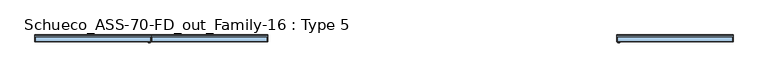
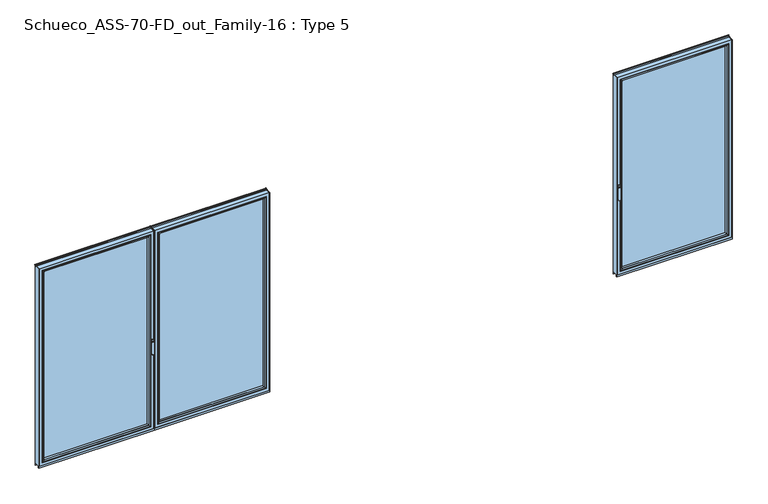
"""IFC4 building model written with IfcOpenShell, lengths in millimetres: window geometry, Schueco_ASS-70-FD_out_Family-16 : Type 5."""

from ifc_helpers import new_model, si_unit, point, frame, frame_2d, origin, place, context, project, spatial, polyline, circle_curve, ellipse_curve, trimmed, segment, composite_curve, outline, extrude, source, transform, mapped, element, save
from ifc_brep_helpers import plane_surface, cylinder_surface, extruded_surface, advanced_brep


def schueco_ass_70_fd_out_family_16_type_5_3a6e579e(model_context):
    return source(origin(), model_context, "Body", "SolidModel", [
        advanced_brep(
        [(-2579.8552975, -73.5, 1050.0), (-2555.8780359, -73.5, 1050.0), (-2555.8780359, -76.8965533, 1050.0), (-2579.8552975, -76.8965533, 1050.0), (-2579.8552975, -84.5, 1050.0), (-2579.8552975, -84.5, 918.6867153), (-2555.8780359, -84.5, 918.6867153), (-2555.8780359, -84.5, 1050.0), (-2555.8780359, -76.8965533, 918.6867153), (-2579.8552975, -76.8965533, 918.6867153)],
        [
            (0, 1, circle_curve(frame((-2567.8666667, -73.5, 1050.0), z_axis=(0.0, 1.0, 0.0), x_axis=(1.0, 0.0, 0.0)), 11.9886308)),
            (1, 0, circle_curve(frame((-2567.8666667, -73.5, 1050.0), z_axis=(0.0, 1.0, 0.0), x_axis=(1.0, 0.0, 0.0)), 11.9886308)),
            (1, 2),
            (2, 3, circle_curve(frame((-2567.8666667, -76.8965533, 1050.0), z_axis=(0.0, 1.0, 0.0), x_axis=(1.0, 0.0, 0.0)), 11.9886308)),
            (3, 0),
            (3, 2, circle_curve(frame((-2567.8666667, -76.8965533, 1050.0), z_axis=(0.0, 1.0, 0.0), x_axis=(1.0, 0.0, 0.0)), 11.9886308)),
            (4, 5),
            (5, 6, ellipse_curve(frame((-2567.8666667, -84.5, 918.6867153), z_axis=(0.0, -1.0, 0.0), x_axis=(-1.0, 0.0, 0.0)), 11.9886308, 7.9050795)),
            (6, 7),
            (7, 4, circle_curve(frame((-2567.8666667, -84.5, 1050.0), z_axis=(0.0, -1.0, 0.0), x_axis=(1.0, 0.0, 0.0)), 11.9886308)),
            (2, 8),
            (8, 9, ellipse_curve(frame((-2567.8666667, -76.8965533, 918.6867153), z_axis=(0.0, 1.0, 0.0), x_axis=(-1.0, 0.0, 0.0)), 11.9886308, 7.9050795)),
            (9, 3),
            (4, 3),
            (9, 5),
            (8, 6),
            (2, 7),
        ],
        [
            plane_surface(frame((-2555.8780359, -73.5, 1050.0), z_axis=(0.0, 1.0, 0.0), x_axis=(0.0, 0.0, -1.0))),
            cylinder_surface(frame((-2567.8666667, -73.5, 1050.0), z_axis=(0.0, -1.0, 0.0), x_axis=(1.0, 0.0, 0.0)), 11.9886308),
            plane_surface(frame((-2579.8552975, -84.5, 928.3382074), z_axis=(0.0, -1.0, 0.0), x_axis=(0.0, 0.0, -1.0))),
            plane_surface(frame((-2579.8552975, -76.8965533, 928.3382074), z_axis=(0.0, 1.0, 0.0), x_axis=(0.0, 0.0, 1.0))),
            plane_surface(frame((-2579.8552975, -84.5, 1050.0), z_axis=(-1.0, 0.0, 0.0), x_axis=(0.0, 1.0, 0.0))),
            extruded_surface(trimmed(ellipse_curve(frame((-2567.8666667, -69.2931066, 918.6867153), z_axis=(0.0, -1.0, 0.0), x_axis=(-1.0, 0.0, 0.0)), 11.9886308, 7.9050795), [point((-2579.8552975, -69.2931066, 918.6867153))], [point((-2555.8780359, -69.2931066, 918.6867153))], True, "CARTESIAN"), (0.0, -7.603446699999992, 0.0), 7.603446699999992),
            plane_surface(frame((-2555.8780359, -84.5, 918.6867153), z_axis=(1.0, 0.0, 0.0), x_axis=(0.0, 1.0, 0.0))),
            cylinder_surface(frame((-2567.8666667, -76.8965533, 1050.0), z_axis=(0.0, -1.0, 0.0), x_axis=(1.0, 0.0, 0.0)), 11.9886308),
        ],
        [
            (0, [[1, 2]]),
            (1, [[-2, 3, 4, 5]]),
            (1, [[-1, -5, 6, -3]]),
            (2, [[7, 8, 9, 10]]),
            (3, [[11, 12, 13, -4]]),
            (4, [[-7, 14, -13, 15]]),
            (5, [[-8, -15, -12, 16]]),
            (6, [[-9, -16, -11, 17]]),
            (7, [[-10, -17, -6, -14]]),
        ],
    ),
        extrude(outline(composite_curve([segment(polyline([(1068.75, -2581.8666667), (1031.25, -2581.8666667)]), True, "CONTINUOUS"), segment(trimmed(circle_curve(frame_2d((1031.25, -2567.8666667)), 14.0), [point((1031.25, -2581.8666667))], [point((1031.25, -2553.8666667))], False, "CARTESIAN"), True, "CONTINUOUS"), segment(polyline([(1031.25, -2553.8666667), (1068.75, -2553.8666667)]), True, "CONTINUOUS"), segment(trimmed(circle_curve(frame_2d((1068.75, -2567.8666667)), 14.0), [point((1068.75, -2553.8666667))], [point((1068.75, -2581.8666667))], False, "CARTESIAN"), True, "CONTINUOUS")], self_intersect=False)), frame((0.0, -73.5, 0.0), z_axis=(0.0, 1.0, 0.0), x_axis=(0.0, 0.0, 1.0)), (0.0, 0.0, 1.0), 3.5),
        extrude(outline(polyline([(-3818.8, 0.0), (-3812.8, 0.0), (-3812.8, -70.0), (-3818.8, -70.0), (-3818.8, 0.0)])), frame((0.0, 0.0, 37.5), z_axis=(0.0, 0.0, 1.0), x_axis=(1.0, 0.0, 0.0)), (0.0, 0.0, 1.0), 2299.5),
        extrude(outline(polyline([(-2545.8666667, 0.0), (-2545.8666667, -70.0), (-2551.8666667, -70.0), (-2551.8666667, 0.0), (-2545.8666667, 0.0)])), frame((0.0, 0.0, 37.5), z_axis=(0.0, 0.0, 1.0), x_axis=(1.0, 0.0, 0.0)), (0.0, 0.0, 1.0), 2299.5),
        extrude(outline(polyline([(-3780.8, -13.999939), (-2583.8666667, -13.999939), (-2583.8666667, -37.9928974), (-3780.8, -37.9928974), (-3780.8, -13.999939)])), frame((0.0, 0.0, 69.5), z_axis=(0.0, 0.0, 1.0), x_axis=(1.0, 0.0, 0.0)), (0.0, 0.0, 1.0), 2235.5),
        advanced_brep(
        [(-2605.8662394, -64.5552044, 2283.0004272), (-2605.8662394, -37.9928974, 2283.0004272), (-2605.8662394, -37.9928974, 91.4995728), (-2605.8662394, -64.5552044, 91.4995728), (-2583.8666667, -37.9928974, 2305.0), (-2583.8666667, -37.9928974, 69.5), (-3780.8, -37.9928974, 69.5), (-3780.8, -37.9928974, 2305.0), (-3758.8004272, -37.9928974, 2283.0004272), (-3758.8004272, -37.9928974, 91.4995728), (-3758.8004272, -64.5552044, 91.4995728), (-2605.156696, -65.8045072, 2283.7099707), (-2605.156696, -65.8045072, 90.7900293), (-3759.5099707, -65.8045072, 90.7900293), (-2589.8666056, -70.0, 2299.000061), (-2589.8666056, -70.0, 75.499939), (-3774.800061, -70.0, 75.499939), (-3780.8, -70.0, 2305.0), (-3780.8, -70.0, 69.5), (-2583.8666667, -70.0, 69.5), (-2583.8666667, -70.0, 2305.0), (-3774.800061, -70.0, 2299.000061), (-3758.8004272, -64.5552044, 2283.0004272), (-3759.5099707, -65.8045072, 2283.7099707)],
        [
            (0, 1),
            (1, 2),
            (2, 3),
            (3, 0),
            (4, 5),
            (5, 6),
            (6, 7),
            (7, 4),
            (8, 9),
            (9, 2),
            (1, 8),
            (9, 10),
            (10, 3),
            (11, 0, ellipse_curve(frame((-2604.4116355, -64.5552044, 2284.4550312), z_axis=(0.7071067811865475, 0.0, -0.7071067811865475), x_axis=(0.7071067811865474, 0.0, 0.7071067811865476)), 2.0571207, 1.454604)),
            (3, 12, ellipse_curve(frame((-2604.4116355, -64.5552044, 90.0449688), z_axis=(0.7071067811865475, 0.0, 0.7071067811865475), x_axis=(-0.7071067811865474, 0.0, 0.7071067811865476)), 2.0571207, 1.454604)),
            (12, 11),
            (10, 13, ellipse_curve(frame((-3760.2550312, -64.5552044, 90.0449688), z_axis=(0.7071067811865475, 0.0, -0.7071067811865475), x_axis=(0.7071067811865476, 0.0, 0.7071067811865474)), 2.0571207, 1.454604)),
            (13, 12),
            (14, 11, ellipse_curve(frame((-2589.9305412, -40.2735922, 2298.9361254), z_axis=(0.7071067811865475, 0.0, -0.7071067811865475), x_axis=(0.7071067811865474, 0.0, 0.7071067811865476)), 42.0395863, 29.7264765)),
            (12, 15, ellipse_curve(frame((-2589.9305412, -40.2735922, 75.5638746), z_axis=(0.7071067811865475, 0.0, 0.7071067811865475), x_axis=(-0.7071067811865474, 0.0, 0.7071067811865476)), 42.0395863, 29.7264765)),
            (15, 14),
            (13, 16, ellipse_curve(frame((-3774.7361254, -40.2735922, 75.5638746), z_axis=(0.7071067811865475, 0.0, -0.7071067811865475), x_axis=(0.7071067811865476, 0.0, 0.7071067811865474)), 42.0395863, 29.7264765)),
            (16, 15),
            (17, 18),
            (18, 19),
            (19, 20),
            (20, 17),
            (16, 21),
            (21, 14),
            (4, 20),
            (19, 5),
            (18, 6),
            (8, 22),
            (22, 10),
            (22, 23, ellipse_curve(frame((-3760.2550312, -64.5552044, 2284.4550312), z_axis=(-0.7071067811865475, 0.0, -0.7071067811865475), x_axis=(0.7071067811865474, 0.0, -0.7071067811865476)), 2.0571207, 1.454604)),
            (23, 13),
            (23, 21, ellipse_curve(frame((-3774.7361254, -40.2735922, 2298.9361254), z_axis=(-0.7071067811865475, 0.0, -0.7071067811865475), x_axis=(0.7071067811865474, 0.0, -0.7071067811865476)), 42.0395863, 29.7264765)),
            (17, 7),
            (0, 22),
            (11, 23),
        ],
        [
            plane_surface(frame((-2605.8662394, -37.9928974, 2283.0004272), z_axis=(-1.0, 0.0, 0.0), x_axis=(0.0, 0.0, -1.0))),
            plane_surface(frame((-3780.8, -37.9928974, 69.5), z_axis=(0.0, 1.0, 0.0), x_axis=(0.0, 0.0, 1.0))),
            plane_surface(frame((-2605.8662394, -37.9928974, 91.4995728), z_axis=(0.0, 0.0, 1.0), x_axis=(-1.0, 0.0, 0.0))),
            cylinder_surface(frame((-2604.4116355, -64.5552044, 2283.0004272), z_axis=(0.0, 0.0, 1.0), x_axis=(1.0, 0.0, 0.0)), 1.454604),
            cylinder_surface(frame((-2605.8662394, -64.5552044, 90.0449688), z_axis=(1.0, 0.0, 0.0), x_axis=(0.0, 0.0, -1.0)), 1.454604),
            cylinder_surface(frame((-2589.9305412, -40.2735922, 2283.0004272), z_axis=(0.0, 0.0, 1.0), x_axis=(1.0, 0.0, 0.0)), 29.7264765),
            cylinder_surface(frame((-2605.8662394, -40.2735922, 75.5638746), z_axis=(1.0, 0.0, 0.0), x_axis=(0.0, 0.0, -1.0)), 29.7264765),
            plane_surface(frame((-3774.800061, -70.0, 75.499939), z_axis=(0.0, -1.0, 0.0), x_axis=(0.0, 0.0, 1.0))),
            plane_surface(frame((-2583.8666667, -70.0, 2305.0), z_axis=(1.0, 0.0, 0.0), x_axis=(0.0, 0.0, -1.0))),
            plane_surface(frame((-2583.8666667, -70.0, 69.5), z_axis=(0.0, 0.0, -1.0), x_axis=(-1.0, 0.0, 0.0))),
            plane_surface(frame((-3758.8004272, -37.9928974, 91.4995728), z_axis=(1.0, 0.0, 0.0), x_axis=(0.0, 0.0, 1.0))),
            cylinder_surface(frame((-3760.2550312, -64.5552044, 91.4995728), z_axis=(0.0, 0.0, -1.0), x_axis=(-1.0, 0.0, 0.0)), 1.454604),
            cylinder_surface(frame((-3774.7361254, -40.2735922, 91.4995728), z_axis=(0.0, 0.0, -1.0), x_axis=(-1.0, 0.0, 0.0)), 29.7264765),
            plane_surface(frame((-3780.8, -70.0, 69.5), z_axis=(-1.0, 0.0, 0.0), x_axis=(0.0, 0.0, 1.0))),
            plane_surface(frame((-3758.8004272, -37.9928974, 2283.0004272), z_axis=(0.0, 0.0, -1.0), x_axis=(1.0, 0.0, 0.0))),
            cylinder_surface(frame((-3758.8004272, -64.5552044, 2284.4550312), z_axis=(-1.0, 0.0, 0.0), x_axis=(0.0, 0.0, 1.0)), 1.454604),
            cylinder_surface(frame((-3758.8004272, -40.2735922, 2298.9361254), z_axis=(-1.0, 0.0, 0.0), x_axis=(0.0, 0.0, 1.0)), 29.7264765),
            plane_surface(frame((-3780.8, -70.0, 2305.0), z_axis=(0.0, 0.0, 1.0), x_axis=(1.0, 0.0, 0.0))),
        ],
        [
            (0, [[1, 2, 3, 4]]),
            (1, [[5, 6, 7, 8], [9, 10, -2, 11]]),
            (2, [[-3, -10, 12, 13]]),
            (3, [[14, -4, 15, 16]]),
            (4, [[-15, -13, 17, 18]]),
            (5, [[19, -16, 20, 21]]),
            (6, [[-20, -18, 22, 23]]),
            (7, [[24, 25, 26, 27], [-21, -23, 28, 29]]),
            (8, [[30, -26, 31, -5]]),
            (9, [[-31, -25, 32, -6]]),
            (10, [[-12, -9, 33, 34]]),
            (11, [[-17, -34, 35, 36]]),
            (12, [[-22, -36, 37, -28]]),
            (13, [[-32, -24, 38, -7]]),
            (14, [[-33, -11, -1, 39]]),
            (15, [[-35, -39, -14, 40]]),
            (16, [[-37, -40, -19, -29]]),
            (17, [[-38, -27, -30, -8]]),
        ],
    ),
        advanced_brep(
        [(-3812.8, -70.0, 2337.0), (-3812.8, 0.0, 2337.0), (-3812.8, 0.0, 37.5), (-3812.8, -70.0, 37.5), (-2551.8666667, 0.0, 37.5), (-2551.8666667, -70.0, 37.5), (-2551.8666667, 0.0, 2337.0), (-2601.3658567, 0.0, 86.9991901), (-2601.3658567, 0.0, 2287.5008099), (-3763.3008099, 0.0, 2287.5008099), (-3763.3008099, 0.0, 86.9991901), (-2551.8666667, -70.0, 2337.0), (-3780.8, -70.0, 69.5), (-3780.8, -70.0, 2305.0), (-2583.8666667, -70.0, 2305.0), (-2583.8666667, -70.0, 69.5), (-3780.8, -13.999939, 2305.0), (-3780.8, -13.999939, 69.5), (-2583.8666667, -13.999939, 69.5), (-2583.8666667, -13.999939, 2305.0), (-3758.8004272, -13.999939, 91.4995728), (-3758.8004272, -13.999939, 2283.0004272), (-2605.8662394, -13.999939, 2283.0004272), (-2605.8662394, -13.999939, 91.4995728), (-3758.8004272, -4.5004435, 2283.0004272), (-3758.8004272, -4.5004435, 91.4995728), (-2605.8662394, -4.5004435, 91.4995728), (-2605.8662394, -4.5004435, 2283.0004272)],
        [
            (0, 1),
            (1, 2),
            (2, 3),
            (3, 0),
            (2, 4),
            (4, 5),
            (5, 3),
            (1, 6),
            (6, 4),
            (7, 8),
            (8, 9),
            (9, 10),
            (10, 7),
            (6, 11),
            (11, 5),
            (11, 0),
            (12, 13),
            (13, 14),
            (14, 15),
            (15, 12),
            (16, 13),
            (12, 17),
            (17, 16),
            (15, 18),
            (18, 17),
            (14, 19),
            (19, 18),
            (19, 16),
            (20, 21),
            (21, 22),
            (22, 23),
            (23, 20),
            (24, 21),
            (20, 25),
            (25, 24),
            (23, 26),
            (26, 25),
            (22, 27),
            (27, 26),
            (10, 25, ellipse_curve(frame((-3763.3008099, -4.5004435, 86.9991901), z_axis=(0.7071067811865475, 0.0, -0.7071067811865475), x_axis=(-0.7071067811865476, 0.0, -0.7071067811865474)), 6.3645023, 4.5003827)),
            (26, 7, ellipse_curve(frame((-2601.3658567, -4.5004435, 86.9991901), z_axis=(-0.7071067811865475, 0.0, -0.7071067811865475), x_axis=(-0.7071067811865476, 0.0, 0.7071067811865474)), 6.3645023, 4.5003827)),
            (9, 24, ellipse_curve(frame((-3763.3008099, -4.5004435, 2287.5008099), z_axis=(-0.7071067811865475, 0.0, -0.7071067811865475), x_axis=(-0.7071067811865474, 0.0, 0.7071067811865476)), 6.3645023, 4.5003827)),
            (27, 8, ellipse_curve(frame((-2601.3658567, -4.5004435, 2287.5008099), z_axis=(0.7071067811865475, 0.0, -0.7071067811865475), x_axis=(-0.7071067811865474, 0.0, -0.7071067811865476)), 6.3645023, 4.5003827)),
            (24, 27),
        ],
        [
            plane_surface(frame((-3812.8, 0.0, 2337.0), z_axis=(-1.0, 0.0, 0.0), x_axis=(0.0, 0.0, -1.0))),
            plane_surface(frame((-3812.8, 0.0, 37.5), z_axis=(0.0, 0.0, -1.0), x_axis=(1.0, 0.0, 0.0))),
            plane_surface(frame((-3763.3008099, 0.0, 2287.5008099), z_axis=(0.0, 1.0, 0.0), x_axis=(0.0, 0.0, -1.0))),
            plane_surface(frame((-2551.8666667, 0.0, 37.5), z_axis=(1.0, 0.0, 0.0), x_axis=(0.0, 0.0, 1.0))),
            plane_surface(frame((-3812.8, -70.0, 2337.0), z_axis=(0.0, -1.0, 0.0), x_axis=(0.0, 0.0, -1.0))),
            plane_surface(frame((-3780.8, -70.0, 2305.0), z_axis=(1.0, 0.0, 0.0), x_axis=(0.0, 0.0, -1.0))),
            plane_surface(frame((-3780.8, -70.0, 69.5), z_axis=(0.0, 0.0, 1.0), x_axis=(1.0, 0.0, 0.0))),
            plane_surface(frame((-2583.8666667, -70.0, 69.5), z_axis=(-1.0, 0.0, 0.0), x_axis=(0.0, 0.0, 1.0))),
            plane_surface(frame((-3780.8, -13.999939, 2305.0), z_axis=(0.0, -1.0, 0.0), x_axis=(0.0, 0.0, -1.0))),
            plane_surface(frame((-3758.8004272, -13.999939, 2283.0004272), z_axis=(1.0, 0.0, 0.0), x_axis=(0.0, 0.0, -1.0))),
            plane_surface(frame((-3758.8004272, -13.999939, 91.4995728), z_axis=(0.0, 0.0, 1.0), x_axis=(1.0, 0.0, 0.0))),
            plane_surface(frame((-2605.8662394, -13.999939, 91.4995728), z_axis=(-1.0, 0.0, 0.0), x_axis=(0.0, 0.0, 1.0))),
            cylinder_surface(frame((-3818.8, -4.5004435, 86.9991901), z_axis=(-1.0, 0.0, 0.0), x_axis=(0.0, -1.0, 0.0)), 4.5003827),
            cylinder_surface(frame((-3763.3008099, -4.5004435, 2343.0), z_axis=(0.0, 0.0, 1.0), x_axis=(0.0, -1.0, 0.0)), 4.5003827),
            cylinder_surface(frame((-2601.3658567, -4.5004435, 31.5), z_axis=(0.0, 0.0, -1.0), x_axis=(0.0, -1.0, 0.0)), 4.5003827),
            plane_surface(frame((-2551.8666667, 0.0, 2337.0), z_axis=(0.0, 0.0, 1.0), x_axis=(-1.0, 0.0, 0.0))),
            plane_surface(frame((-2583.8666667, -70.0, 2305.0), z_axis=(0.0, 0.0, -1.0), x_axis=(-1.0, 0.0, 0.0))),
            plane_surface(frame((-2605.8662394, -13.999939, 2283.0004272), z_axis=(0.0, 0.0, -1.0), x_axis=(-1.0, 0.0, 0.0))),
            cylinder_surface(frame((-2545.8666667, -4.5004435, 2287.5008099), z_axis=(1.0, 0.0, 0.0), x_axis=(0.0, -1.0, 0.0)), 4.5003827),
        ],
        [
            (0, [[1, 2, 3, 4]]),
            (1, [[-3, 5, 6, 7]]),
            (2, [[-2, 8, 9, -5], [10, 11, 12, 13]]),
            (3, [[-6, -9, 14, 15]]),
            (4, [[-15, 16, -4, -7], [17, 18, 19, 20]]),
            (5, [[21, -17, 22, 23]]),
            (6, [[-22, -20, 24, 25]]),
            (7, [[-24, -19, 26, 27]]),
            (8, [[-27, 28, -23, -25], [29, 30, 31, 32]]),
            (9, [[33, -29, 34, 35]]),
            (10, [[-34, -32, 36, 37]]),
            (11, [[-36, -31, 38, 39]]),
            (12, [[40, -37, 41, -13]]),
            (13, [[42, -35, -40, -12]]),
            (14, [[-41, -39, 43, -10]]),
            (15, [[-14, -8, -1, -16]]),
            (16, [[-26, -18, -21, -28]]),
            (17, [[-38, -30, -33, 44]]),
            (18, [[-43, -44, -42, -11]]),
        ],
    ),
        extrude(outline(polyline([(-3818.8, -7.6000076), (-3818.8, 0.0), (-2545.8666667, 0.0), (-2545.8666667, -7.6000076), (-3818.8, -7.6000076)])), frame((0.0, 0.0, 15.4995117), z_axis=(0.0, 0.0, 1.0), x_axis=(1.0, 0.0, 0.0)), (0.0, 0.0, 1.0), 22.0004883),
        extrude(outline(polyline([(-3818.8, -70.0), (-3818.8, -62.2757497), (-2545.8666667, -62.2757497), (-2545.8666667, -70.0), (-3818.8, -70.0)])), frame((0.0, 0.0, 15.4995117), z_axis=(0.0, 0.0, 1.0), x_axis=(1.0, 0.0, 0.0)), (0.0, 0.0, 1.0), 22.0004883),
        extrude(outline(composite_curve([segment(polyline([(-17.955674, 2339.1400778), (-1.3636404, 2339.1400778), (0.0, 2342.963961), (0.0, 2348.6420698), (0.8937897, 2348.6420698), (1.8738669, 2344.9939222)]), True, "CONTINUOUS"), segment(trimmed(circle_curve(frame_2d((-0.0576456, 2344.4750201)), 2.0), [point((1.8738669, 2344.9939222))], [point((1.8735116, 2343.9547971))], False, "CARTESIAN"), True, "CONTINUOUS"), segment(polyline([(1.8735116, 2343.9547971), (0.0, 2337.0), (-17.955674, 2337.0), (-17.955674, 2339.1400778)]), True, "CONTINUOUS")], self_intersect=False)), frame((-3818.8, 0.0, 0.0), z_axis=(1.0, 0.0, 0.0), x_axis=(0.0, 1.0, 0.0)), (0.0, 0.0, 1.0), 1272.9333333),
        extrude(outline(polyline([(-1272.9333333, 0.0), (-1272.9333333, -70.0), (-1278.9333333, -70.0), (-1278.9333333, 0.0), (-1272.9333333, 0.0)])), frame((0.0, 0.0, 37.5), z_axis=(0.0, 0.0, 1.0), x_axis=(1.0, 0.0, 0.0)), (0.0, 0.0, 1.0), 2299.5),
        extrude(outline(polyline([(-2545.8666667, 0.0), (-2539.8666667, 0.0), (-2539.8666667, -70.0), (-2545.8666667, -70.0), (-2545.8666667, 0.0)])), frame((0.0, 0.0, 37.5), z_axis=(0.0, 0.0, 1.0), x_axis=(1.0, 0.0, 0.0)), (0.0, 0.0, 1.0), 2299.5),
        extrude(outline(polyline([(-1310.9333333, -13.999939), (-1310.9333333, -37.9928974), (-2507.8666667, -37.9928974), (-2507.8666667, -13.999939), (-1310.9333333, -13.999939)])), frame((0.0, 0.0, 69.5), z_axis=(0.0, 0.0, 1.0), x_axis=(1.0, 0.0, 0.0)), (0.0, 0.0, 1.0), 2235.5),
        advanced_brep(
        [(-2485.8670939, -64.5552044, 2283.0004272), (-2485.8670939, -64.5552044, 91.4995728), (-2485.8670939, -37.9928974, 91.4995728), (-2485.8670939, -37.9928974, 2283.0004272), (-2507.8666667, -37.9928974, 2305.0), (-1310.9333333, -37.9928974, 2305.0), (-1310.9333333, -37.9928974, 69.5), (-2507.8666667, -37.9928974, 69.5), (-1332.9329061, -37.9928974, 2283.0004272), (-1332.9329061, -37.9928974, 91.4995728), (-1332.9329061, -64.5552044, 91.4995728), (-2486.5766373, -65.8045072, 2283.7099707), (-2486.5766373, -65.8045072, 90.7900293), (-1332.2233627, -65.8045072, 90.7900293), (-2501.8667277, -70.0, 2299.000061), (-2501.8667277, -70.0, 75.499939), (-1316.9332723, -70.0, 75.499939), (-1310.9333333, -70.0, 2305.0), (-2507.8666667, -70.0, 2305.0), (-2507.8666667, -70.0, 69.5), (-1310.9333333, -70.0, 69.5), (-1316.9332723, -70.0, 2299.000061), (-1332.9329061, -64.5552044, 2283.0004272), (-1332.2233627, -65.8045072, 2283.7099707)],
        [
            (0, 1),
            (1, 2),
            (2, 3),
            (3, 0),
            (4, 5),
            (5, 6),
            (6, 7),
            (7, 4),
            (8, 3),
            (2, 9),
            (9, 8),
            (1, 10),
            (10, 9),
            (11, 12),
            (12, 1, ellipse_curve(frame((-2487.3216979, -64.5552044, 90.0449688), z_axis=(-0.7071067811865475, 0.0, 0.7071067811865475), x_axis=(0.7071067811865474, 0.0, 0.7071067811865476)), 2.0571207, 1.454604)),
            (0, 11, ellipse_curve(frame((-2487.3216979, -64.5552044, 2284.4550312), z_axis=(-0.7071067811865475, 0.0, -0.7071067811865475), x_axis=(-0.7071067811865474, 0.0, 0.7071067811865476)), 2.0571207, 1.454604)),
            (12, 13),
            (13, 10, ellipse_curve(frame((-1331.4783021, -64.5552044, 90.0449688), z_axis=(-0.7071067811865475, 0.0, -0.7071067811865475), x_axis=(-0.7071067811865476, 0.0, 0.7071067811865474)), 2.0571207, 1.454604)),
            (14, 15),
            (15, 12, ellipse_curve(frame((-2501.8027921, -40.2735922, 75.5638746), z_axis=(-0.7071067811865475, 0.0, 0.7071067811865475), x_axis=(0.7071067811865474, 0.0, 0.7071067811865476)), 42.0395863, 29.7264765)),
            (11, 14, ellipse_curve(frame((-2501.8027921, -40.2735922, 2298.9361254), z_axis=(-0.7071067811865475, 0.0, -0.7071067811865475), x_axis=(-0.7071067811865474, 0.0, 0.7071067811865476)), 42.0395863, 29.7264765)),
            (15, 16),
            (16, 13, ellipse_curve(frame((-1316.9972079, -40.2735922, 75.5638746), z_axis=(-0.7071067811865475, 0.0, -0.7071067811865475), x_axis=(-0.7071067811865476, 0.0, 0.7071067811865474)), 42.0395863, 29.7264765)),
            (17, 18),
            (18, 19),
            (19, 20),
            (20, 17),
            (14, 21),
            (21, 16),
            (7, 19),
            (18, 4),
            (6, 20),
            (10, 22),
            (22, 8),
            (13, 23),
            (23, 22, ellipse_curve(frame((-1331.4783021, -64.5552044, 2284.4550312), z_axis=(0.7071067811865475, 0.0, -0.7071067811865475), x_axis=(-0.7071067811865474, 0.0, -0.7071067811865476)), 2.0571207, 1.454604)),
            (21, 23, ellipse_curve(frame((-1316.9972079, -40.2735922, 2298.9361254), z_axis=(0.7071067811865475, 0.0, -0.7071067811865475), x_axis=(-0.7071067811865474, 0.0, -0.7071067811865476)), 42.0395863, 29.7264765)),
            (5, 17),
            (22, 0),
            (23, 11),
        ],
        [
            plane_surface(frame((-2485.8670939, -37.9928974, 2283.0004272), z_axis=(1.0, 0.0, 0.0), x_axis=(0.0, 0.0, -1.0))),
            plane_surface(frame((-1310.9333333, -37.9928974, 69.5), z_axis=(0.0, 1.0, 0.0), x_axis=(0.0, 0.0, 1.0))),
            plane_surface(frame((-2485.8670939, -37.9928974, 91.4995728), z_axis=(0.0, 0.0, 1.0), x_axis=(1.0, 0.0, 0.0))),
            cylinder_surface(frame((-2487.3216979, -64.5552044, 2283.0004272), z_axis=(0.0, 0.0, 1.0), x_axis=(-1.0, 0.0, 0.0)), 1.454604),
            cylinder_surface(frame((-2485.8670939, -64.5552044, 90.0449688), z_axis=(-1.0, 0.0, 0.0), x_axis=(0.0, 0.0, -1.0)), 1.454604),
            cylinder_surface(frame((-2501.8027921, -40.2735922, 2283.0004272), z_axis=(0.0, 0.0, 1.0), x_axis=(-1.0, 0.0, 0.0)), 29.7264765),
            cylinder_surface(frame((-2485.8670939, -40.2735922, 75.5638746), z_axis=(-1.0, 0.0, 0.0), x_axis=(0.0, 0.0, -1.0)), 29.7264765),
            plane_surface(frame((-1316.9332723, -70.0, 75.499939), z_axis=(0.0, -1.0, 0.0), x_axis=(0.0, 0.0, 1.0))),
            plane_surface(frame((-2507.8666667, -70.0, 2305.0), z_axis=(-1.0, 0.0, 0.0), x_axis=(0.0, 0.0, -1.0))),
            plane_surface(frame((-2507.8666667, -70.0, 69.5), z_axis=(0.0, 0.0, -1.0), x_axis=(1.0, 0.0, 0.0))),
            plane_surface(frame((-1332.9329061, -37.9928974, 91.4995728), z_axis=(-1.0, 0.0, 0.0), x_axis=(0.0, 0.0, 1.0))),
            cylinder_surface(frame((-1331.4783021, -64.5552044, 91.4995728), z_axis=(0.0, 0.0, -1.0), x_axis=(1.0, 0.0, 0.0)), 1.454604),
            cylinder_surface(frame((-1316.9972079, -40.2735922, 91.4995728), z_axis=(0.0, 0.0, -1.0), x_axis=(1.0, 0.0, 0.0)), 29.7264765),
            plane_surface(frame((-1310.9333333, -70.0, 69.5), z_axis=(1.0, 0.0, 0.0), x_axis=(0.0, 0.0, 1.0))),
            plane_surface(frame((-1332.9329061, -37.9928974, 2283.0004272), z_axis=(0.0, 0.0, -1.0), x_axis=(-1.0, 0.0, 0.0))),
            cylinder_surface(frame((-1332.9329061, -64.5552044, 2284.4550312), z_axis=(1.0, 0.0, 0.0), x_axis=(0.0, 0.0, 1.0)), 1.454604),
            cylinder_surface(frame((-1332.9329061, -40.2735922, 2298.9361254), z_axis=(1.0, 0.0, 0.0), x_axis=(0.0, 0.0, 1.0)), 29.7264765),
            plane_surface(frame((-1310.9333333, -70.0, 2305.0), z_axis=(0.0, 0.0, 1.0), x_axis=(-1.0, 0.0, 0.0))),
        ],
        [
            (0, [[1, 2, 3, 4]]),
            (1, [[5, 6, 7, 8], [9, -3, 10, 11]]),
            (2, [[12, 13, -10, -2]]),
            (3, [[14, 15, -1, 16]]),
            (4, [[17, 18, -12, -15]]),
            (5, [[19, 20, -14, 21]]),
            (6, [[22, 23, -17, -20]]),
            (7, [[24, 25, 26, 27], [28, 29, -22, -19]]),
            (8, [[-8, 30, -25, 31]]),
            (9, [[-7, 32, -26, -30]]),
            (10, [[33, 34, -11, -13]]),
            (11, [[35, 36, -33, -18]]),
            (12, [[-29, 37, -35, -23]]),
            (13, [[-6, 38, -27, -32]]),
            (14, [[39, -4, -9, -34]]),
            (15, [[40, -16, -39, -36]]),
            (16, [[-28, -21, -40, -37]]),
            (17, [[-5, -31, -24, -38]]),
        ],
    ),
        advanced_brep(
        [(-1278.9333333, -70.0, 2337.0), (-1278.9333333, -70.0, 37.5), (-1278.9333333, 0.0, 37.5), (-1278.9333333, 0.0, 2337.0), (-2539.8666667, -70.0, 37.5), (-2539.8666667, 0.0, 37.5), (-2539.8666667, 0.0, 2337.0), (-2490.3674766, 0.0, 86.9991901), (-1328.4325234, 0.0, 86.9991901), (-1328.4325234, 0.0, 2287.5008099), (-2490.3674766, 0.0, 2287.5008099), (-2539.8666667, -70.0, 2337.0), (-1310.9333333, -70.0, 69.5), (-2507.8666667, -70.0, 69.5), (-2507.8666667, -70.0, 2305.0), (-1310.9333333, -70.0, 2305.0), (-1310.9333333, -13.999939, 2305.0), (-1310.9333333, -13.999939, 69.5), (-2507.8666667, -13.999939, 69.5), (-2507.8666667, -13.999939, 2305.0), (-1332.9329061, -13.999939, 91.4995728), (-2485.8670939, -13.999939, 91.4995728), (-2485.8670939, -13.999939, 2283.0004272), (-1332.9329061, -13.999939, 2283.0004272), (-1332.9329061, -4.5004435, 2283.0004272), (-1332.9329061, -4.5004435, 91.4995728), (-2485.8670939, -4.5004435, 91.4995728), (-2485.8670939, -4.5004435, 2283.0004272)],
        [
            (0, 1),
            (1, 2),
            (2, 3),
            (3, 0),
            (1, 4),
            (4, 5),
            (5, 2),
            (5, 6),
            (6, 3),
            (7, 8),
            (8, 9),
            (9, 10),
            (10, 7),
            (4, 11),
            (11, 6),
            (0, 11),
            (12, 13),
            (13, 14),
            (14, 15),
            (15, 12),
            (16, 17),
            (17, 12),
            (15, 16),
            (17, 18),
            (18, 13),
            (18, 19),
            (19, 14),
            (16, 19),
            (20, 21),
            (21, 22),
            (22, 23),
            (23, 20),
            (24, 25),
            (25, 20),
            (23, 24),
            (25, 26),
            (26, 21),
            (26, 27),
            (27, 22),
            (7, 26, ellipse_curve(frame((-2490.3674766, -4.5004435, 86.9991901), z_axis=(0.7071067811865475, 0.0, -0.7071067811865475), x_axis=(0.7071067811865476, 0.0, 0.7071067811865474)), 6.3645023, 4.5003827)),
            (25, 8, ellipse_curve(frame((-1328.4325234, -4.5004435, 86.9991901), z_axis=(-0.7071067811865475, 0.0, -0.7071067811865475), x_axis=(0.7071067811865476, 0.0, -0.7071067811865474)), 6.3645023, 4.5003827)),
            (24, 9, ellipse_curve(frame((-1328.4325234, -4.5004435, 2287.5008099), z_axis=(0.7071067811865475, 0.0, -0.7071067811865475), x_axis=(0.7071067811865474, 0.0, 0.7071067811865476)), 6.3645023, 4.5003827)),
            (10, 27, ellipse_curve(frame((-2490.3674766, -4.5004435, 2287.5008099), z_axis=(-0.7071067811865475, 0.0, -0.7071067811865475), x_axis=(0.7071067811865474, 0.0, -0.7071067811865476)), 6.3645023, 4.5003827)),
            (27, 24),
        ],
        [
            plane_surface(frame((-1278.9333333, 0.0, 2337.0), z_axis=(1.0, 0.0, 0.0), x_axis=(0.0, 0.0, -1.0))),
            plane_surface(frame((-1278.9333333, 0.0, 37.5), z_axis=(0.0, 0.0, -1.0), x_axis=(-1.0, 0.0, 0.0))),
            plane_surface(frame((-1328.4325234, 0.0, 2287.5008099), z_axis=(0.0, 1.0, 0.0), x_axis=(0.0, 0.0, -1.0))),
            plane_surface(frame((-2539.8666667, 0.0, 37.5), z_axis=(-1.0, 0.0, 0.0), x_axis=(0.0, 0.0, 1.0))),
            plane_surface(frame((-1278.9333333, -70.0, 2337.0), z_axis=(0.0, -1.0, 0.0), x_axis=(0.0, 0.0, -1.0))),
            plane_surface(frame((-1310.9333333, -70.0, 2305.0), z_axis=(-1.0, 0.0, 0.0), x_axis=(0.0, 0.0, -1.0))),
            plane_surface(frame((-1310.9333333, -70.0, 69.5), z_axis=(0.0, 0.0, 1.0), x_axis=(-1.0, 0.0, 0.0))),
            plane_surface(frame((-2507.8666667, -70.0, 69.5), z_axis=(1.0, 0.0, 0.0), x_axis=(0.0, 0.0, 1.0))),
            plane_surface(frame((-1310.9333333, -13.999939, 2305.0), z_axis=(0.0, -1.0, 0.0), x_axis=(0.0, 0.0, -1.0))),
            plane_surface(frame((-1332.9329061, -13.999939, 2283.0004272), z_axis=(-1.0, 0.0, 0.0), x_axis=(0.0, 0.0, -1.0))),
            plane_surface(frame((-1332.9329061, -13.999939, 91.4995728), z_axis=(0.0, 0.0, 1.0), x_axis=(-1.0, 0.0, 0.0))),
            plane_surface(frame((-2485.8670939, -13.999939, 91.4995728), z_axis=(1.0, 0.0, 0.0), x_axis=(0.0, 0.0, 1.0))),
            cylinder_surface(frame((-1272.9333333, -4.5004435, 86.9991901), z_axis=(1.0, 0.0, 0.0), x_axis=(0.0, -1.0, 0.0)), 4.5003827),
            cylinder_surface(frame((-1328.4325234, -4.5004435, 2343.0), z_axis=(0.0, 0.0, 1.0), x_axis=(0.0, -1.0, 0.0)), 4.5003827),
            cylinder_surface(frame((-2490.3674766, -4.5004435, 31.5), z_axis=(0.0, 0.0, -1.0), x_axis=(0.0, -1.0, 0.0)), 4.5003827),
            plane_surface(frame((-2539.8666667, 0.0, 2337.0), z_axis=(0.0, 0.0, 1.0), x_axis=(1.0, 0.0, 0.0))),
            plane_surface(frame((-2507.8666667, -70.0, 2305.0), z_axis=(0.0, 0.0, -1.0), x_axis=(1.0, 0.0, 0.0))),
            plane_surface(frame((-2485.8670939, -13.999939, 2283.0004272), z_axis=(0.0, 0.0, -1.0), x_axis=(1.0, 0.0, 0.0))),
            cylinder_surface(frame((-2545.8666667, -4.5004435, 2287.5008099), z_axis=(-1.0, 0.0, 0.0), x_axis=(0.0, -1.0, 0.0)), 4.5003827),
        ],
        [
            (0, [[1, 2, 3, 4]]),
            (1, [[5, 6, 7, -2]]),
            (2, [[-7, 8, 9, -3], [10, 11, 12, 13]]),
            (3, [[14, 15, -8, -6]]),
            (4, [[-5, -1, 16, -14], [17, 18, 19, 20]]),
            (5, [[21, 22, -20, 23]]),
            (6, [[24, 25, -17, -22]]),
            (7, [[26, 27, -18, -25]]),
            (8, [[-24, -21, 28, -26], [29, 30, 31, 32]]),
            (9, [[33, 34, -32, 35]]),
            (10, [[36, 37, -29, -34]]),
            (11, [[38, 39, -30, -37]]),
            (12, [[-10, 40, -36, 41]]),
            (13, [[-11, -41, -33, 42]]),
            (14, [[-13, 43, -38, -40]]),
            (15, [[-16, -4, -9, -15]]),
            (16, [[-28, -23, -19, -27]]),
            (17, [[44, -35, -31, -39]]),
            (18, [[-12, -42, -44, -43]]),
        ],
    ),
        extrude(outline(polyline([(-1272.9333333, -7.6000076), (-2545.8666667, -7.6000076), (-2545.8666667, 0.0), (-1272.9333333, 0.0), (-1272.9333333, -7.6000076)])), frame((0.0, 0.0, 15.4995117), z_axis=(0.0, 0.0, 1.0), x_axis=(1.0, 0.0, 0.0)), (0.0, 0.0, 1.0), 22.0004883),
        extrude(outline(polyline([(-1272.9333333, -70.0), (-2545.8666667, -70.0), (-2545.8666667, -62.2757497), (-1272.9333333, -62.2757497), (-1272.9333333, -70.0)])), frame((0.0, 0.0, 15.4995117), z_axis=(0.0, 0.0, 1.0), x_axis=(1.0, 0.0, 0.0)), (0.0, 0.0, 1.0), 22.0004883),
        extrude(outline(composite_curve([segment(polyline([(-17.955674, 2339.1400778), (-1.3636404, 2339.1400778), (0.0, 2342.963961), (0.0, 2348.6420698), (0.8937897, 2348.6420698), (1.8738669, 2344.9939222)]), True, "CONTINUOUS"), segment(trimmed(circle_curve(frame_2d((-0.0576456, 2344.4750201)), 2.0), [point((1.8738669, 2344.9939222))], [point((1.8735116, 2343.9547971))], False, "CARTESIAN"), True, "CONTINUOUS"), segment(polyline([(1.8735116, 2343.9547971), (0.0, 2337.0), (-17.955674, 2337.0), (-17.955674, 2339.1400778)]), True, "CONTINUOUS")], self_intersect=False)), frame((-2545.8666667, 0.0, 0.0), z_axis=(1.0, 0.0, 0.0), x_axis=(0.0, 1.0, 0.0)), (0.0, 0.0, 1.0), 1272.9333333),
        advanced_brep(
        [(2579.8552975, -73.5, 1050.0), (2555.8780359, -73.5, 1050.0), (2579.8552975, -76.8965533, 1050.0), (2555.8780359, -76.8965533, 1050.0), (2579.8552975, -84.5, 1050.0), (2555.8780359, -84.5, 1050.0), (2555.8780359, -84.5, 918.6867153), (2579.8552975, -84.5, 918.6867153), (2579.8552975, -76.8965533, 918.6867153), (2555.8780359, -76.8965533, 918.6867153)],
        [
            (0, 1, circle_curve(frame((2567.8666667, -73.5, 1050.0), z_axis=(0.0, 1.0, 0.0), x_axis=(-1.0, 0.0, 0.0)), 11.9886308)),
            (1, 0, circle_curve(frame((2567.8666667, -73.5, 1050.0), z_axis=(0.0, 1.0, 0.0), x_axis=(-1.0, 0.0, 0.0)), 11.9886308)),
            (0, 2),
            (2, 3, circle_curve(frame((2567.8666667, -76.8965533, 1050.0), z_axis=(0.0, 1.0, 0.0), x_axis=(-1.0, 0.0, 0.0)), 11.9886308)),
            (3, 1),
            (3, 2, circle_curve(frame((2567.8666667, -76.8965533, 1050.0), z_axis=(0.0, 1.0, 0.0), x_axis=(-1.0, 0.0, 0.0)), 11.9886308)),
            (4, 5, circle_curve(frame((2567.8666667, -84.5, 1050.0), z_axis=(0.0, -1.0, 0.0), x_axis=(-1.0, 0.0, 0.0)), 11.9886308)),
            (5, 6),
            (6, 7, ellipse_curve(frame((2567.8666667, -84.5, 918.6867153), z_axis=(0.0, -1.0, 0.0), x_axis=(1.0, 0.0, 0.0)), 11.9886308, 7.9050795)),
            (7, 4),
            (2, 8),
            (8, 9, ellipse_curve(frame((2567.8666667, -76.8965533, 918.6867153), z_axis=(0.0, 1.0, 0.0), x_axis=(1.0, 0.0, 0.0)), 11.9886308, 7.9050795)),
            (9, 3),
            (7, 8),
            (2, 4),
            (6, 9),
            (5, 3),
        ],
        [
            plane_surface(frame((2555.8780359, -73.5, 1050.0), z_axis=(0.0, 1.0, 0.0), x_axis=(0.0, 0.0, -1.0))),
            cylinder_surface(frame((2567.8666667, -73.5, 1050.0), z_axis=(0.0, -1.0, 0.0), x_axis=(-1.0, 0.0, 0.0)), 11.9886308),
            plane_surface(frame((2579.8552975, -84.5, 928.3382074), z_axis=(0.0, -1.0, 0.0), x_axis=(0.0, 0.0, -1.0))),
            plane_surface(frame((2579.8552975, -76.8965533, 928.3382074), z_axis=(0.0, 1.0, 0.0), x_axis=(0.0, 0.0, 1.0))),
            plane_surface(frame((2579.8552975, -84.5, 1050.0), z_axis=(1.0, 0.0, 0.0), x_axis=(0.0, 1.0, 0.0))),
            extruded_surface(trimmed(ellipse_curve(frame((2567.8666667, -76.8965533, 918.6867153), z_axis=(0.0, 1.0, 0.0), x_axis=(1.0, 0.0, 0.0)), 11.9886308, 7.9050795), [point((2579.8552975, -76.8965533, 918.6867153))], [point((2555.8780359, -76.8965533, 918.6867153))], True, "CARTESIAN"), (0.0, 7.603446699999992, 0.0), 7.603446699999992),
            plane_surface(frame((2555.8780359, -84.5, 918.6867153), z_axis=(-1.0, 0.0, 0.0), x_axis=(0.0, 1.0, 0.0))),
            cylinder_surface(frame((2567.8666667, -76.8965533, 1050.0), z_axis=(0.0, -1.0, 0.0), x_axis=(-1.0, 0.0, 0.0)), 11.9886308),
        ],
        [
            (0, [[1, 2]]),
            (1, [[3, 4, 5, -1]]),
            (1, [[-5, 6, -3, -2]]),
            (2, [[7, 8, 9, 10]]),
            (3, [[-4, 11, 12, 13]]),
            (4, [[14, -11, 15, -10]]),
            (5, [[16, -12, -14, -9]]),
            (6, [[17, -13, -16, -8]]),
            (7, [[-15, -6, -17, -7]]),
        ],
    ),
        extrude(outline(composite_curve([segment(trimmed(circle_curve(frame_2d((1068.75, 2567.8666667)), 14.0), [point((1068.75, 2581.8666667))], [point((1068.75, 2553.8666667))], False, "CARTESIAN"), True, "CONTINUOUS"), segment(polyline([(1068.75, 2553.8666667), (1031.25, 2553.8666667)]), True, "CONTINUOUS"), segment(trimmed(circle_curve(frame_2d((1031.25, 2567.8666667)), 14.0), [point((1031.25, 2553.8666667))], [point((1031.25, 2581.8666667))], False, "CARTESIAN"), True, "CONTINUOUS"), segment(polyline([(1031.25, 2581.8666667), (1068.75, 2581.8666667)]), True, "CONTINUOUS")], self_intersect=False)), frame((0.0, -73.5, 0.0), z_axis=(0.0, 1.0, 0.0), x_axis=(0.0, 0.0, 1.0)), (0.0, 0.0, 1.0), 3.5),
        extrude(outline(polyline([(3818.8, 0.0), (3818.8, -70.0), (3812.8, -70.0), (3812.8, 0.0), (3818.8, 0.0)])), frame((0.0, 0.0, 37.5), z_axis=(0.0, 0.0, 1.0), x_axis=(1.0, 0.0, 0.0)), (0.0, 0.0, 1.0), 2299.5),
        extrude(outline(polyline([(2545.8666667, 0.0), (2551.8666667, 0.0), (2551.8666667, -70.0), (2545.8666667, -70.0), (2545.8666667, 0.0)])), frame((0.0, 0.0, 37.5), z_axis=(0.0, 0.0, 1.0), x_axis=(1.0, 0.0, 0.0)), (0.0, 0.0, 1.0), 2299.5),
        extrude(outline(polyline([(3780.8, -13.999939), (3780.8, -37.9928974), (2583.8666667, -37.9928974), (2583.8666667, -13.999939), (3780.8, -13.999939)])), frame((0.0, 0.0, 69.5), z_axis=(0.0, 0.0, 1.0), x_axis=(1.0, 0.0, 0.0)), (0.0, 0.0, 1.0), 2235.5),
        advanced_brep(
        [(2605.8662394, -64.5552044, 2283.0004272), (2605.8662394, -64.5552044, 91.4995728), (2605.8662394, -37.9928974, 91.4995728), (2605.8662394, -37.9928974, 2283.0004272), (2583.8666667, -37.9928974, 2305.0), (3780.8, -37.9928974, 2305.0), (3780.8, -37.9928974, 69.5), (2583.8666667, -37.9928974, 69.5), (3758.8004272, -37.9928974, 2283.0004272), (3758.8004272, -37.9928974, 91.4995728), (3758.8004272, -64.5552044, 91.4995728), (2605.156696, -65.8045072, 2283.7099707), (2605.156696, -65.8045072, 90.7900293), (3759.5099707, -65.8045072, 90.7900293), (2589.8666056, -70.0, 2299.000061), (2589.8666056, -70.0, 75.499939), (3774.800061, -70.0, 75.499939), (3780.8, -70.0, 2305.0), (2583.8666667, -70.0, 2305.0), (2583.8666667, -70.0, 69.5), (3780.8, -70.0, 69.5), (3774.800061, -70.0, 2299.000061), (3758.8004272, -64.5552044, 2283.0004272), (3759.5099707, -65.8045072, 2283.7099707)],
        [
            (0, 1),
            (1, 2),
            (2, 3),
            (3, 0),
            (4, 5),
            (5, 6),
            (6, 7),
            (7, 4),
            (8, 3),
            (2, 9),
            (9, 8),
            (1, 10),
            (10, 9),
            (11, 12),
            (12, 1, ellipse_curve(frame((2604.4116355, -64.5552044, 90.0449688), z_axis=(-0.7071067811865475, 0.0, 0.7071067811865475), x_axis=(0.7071067811865474, 0.0, 0.7071067811865476)), 2.0571207, 1.454604)),
            (0, 11, ellipse_curve(frame((2604.4116355, -64.5552044, 2284.4550312), z_axis=(-0.7071067811865475, 0.0, -0.7071067811865475), x_axis=(-0.7071067811865474, 0.0, 0.7071067811865476)), 2.0571207, 1.454604)),
            (12, 13),
            (13, 10, ellipse_curve(frame((3760.2550312, -64.5552044, 90.0449688), z_axis=(-0.7071067811865475, 0.0, -0.7071067811865475), x_axis=(-0.7071067811865476, 0.0, 0.7071067811865474)), 2.0571207, 1.454604)),
            (14, 15),
            (15, 12, ellipse_curve(frame((2589.9305412, -40.2735922, 75.5638746), z_axis=(-0.7071067811865475, 0.0, 0.7071067811865475), x_axis=(0.7071067811865474, 0.0, 0.7071067811865476)), 42.0395863, 29.7264765)),
            (11, 14, ellipse_curve(frame((2589.9305412, -40.2735922, 2298.9361254), z_axis=(-0.7071067811865475, 0.0, -0.7071067811865475), x_axis=(-0.7071067811865474, 0.0, 0.7071067811865476)), 42.0395863, 29.7264765)),
            (15, 16),
            (16, 13, ellipse_curve(frame((3774.7361254, -40.2735922, 75.5638746), z_axis=(-0.7071067811865475, 0.0, -0.7071067811865475), x_axis=(-0.7071067811865476, 0.0, 0.7071067811865474)), 42.0395863, 29.7264765)),
            (17, 18),
            (18, 19),
            (19, 20),
            (20, 17),
            (14, 21),
            (21, 16),
            (7, 19),
            (18, 4),
            (6, 20),
            (10, 22),
            (22, 8),
            (13, 23),
            (23, 22, ellipse_curve(frame((3760.2550312, -64.5552044, 2284.4550312), z_axis=(0.7071067811865475, 0.0, -0.7071067811865475), x_axis=(-0.7071067811865474, 0.0, -0.7071067811865476)), 2.0571207, 1.454604)),
            (21, 23, ellipse_curve(frame((3774.7361254, -40.2735922, 2298.9361254), z_axis=(0.7071067811865475, 0.0, -0.7071067811865475), x_axis=(-0.7071067811865474, 0.0, -0.7071067811865476)), 42.0395863, 29.7264765)),
            (5, 17),
            (22, 0),
            (23, 11),
        ],
        [
            plane_surface(frame((2605.8662394, -37.9928974, 2283.0004272), z_axis=(1.0, 0.0, 0.0), x_axis=(0.0, 0.0, -1.0))),
            plane_surface(frame((3780.8, -37.9928974, 69.5), z_axis=(0.0, 1.0, 0.0), x_axis=(0.0, 0.0, 1.0))),
            plane_surface(frame((2605.8662394, -37.9928974, 91.4995728), z_axis=(0.0, 0.0, 1.0), x_axis=(1.0, 0.0, 0.0))),
            cylinder_surface(frame((2604.4116355, -64.5552044, 2283.0004272), z_axis=(0.0, 0.0, 1.0), x_axis=(-1.0, 0.0, 0.0)), 1.454604),
            cylinder_surface(frame((2605.8662394, -64.5552044, 90.0449688), z_axis=(-1.0, 0.0, 0.0), x_axis=(0.0, 0.0, -1.0)), 1.454604),
            cylinder_surface(frame((2589.9305412, -40.2735922, 2283.0004272), z_axis=(0.0, 0.0, 1.0), x_axis=(-1.0, 0.0, 0.0)), 29.7264765),
            cylinder_surface(frame((2605.8662394, -40.2735922, 75.5638746), z_axis=(-1.0, 0.0, 0.0), x_axis=(0.0, 0.0, -1.0)), 29.7264765),
            plane_surface(frame((3774.800061, -70.0, 75.499939), z_axis=(0.0, -1.0, 0.0), x_axis=(0.0, 0.0, 1.0))),
            plane_surface(frame((2583.8666667, -70.0, 2305.0), z_axis=(-1.0, 0.0, 0.0), x_axis=(0.0, 0.0, -1.0))),
            plane_surface(frame((2583.8666667, -70.0, 69.5), z_axis=(0.0, 0.0, -1.0), x_axis=(1.0, 0.0, 0.0))),
            plane_surface(frame((3758.8004272, -37.9928974, 91.4995728), z_axis=(-1.0, 0.0, 0.0), x_axis=(0.0, 0.0, 1.0))),
            cylinder_surface(frame((3760.2550312, -64.5552044, 91.4995728), z_axis=(0.0, 0.0, -1.0), x_axis=(1.0, 0.0, 0.0)), 1.454604),
            cylinder_surface(frame((3774.7361254, -40.2735922, 91.4995728), z_axis=(0.0, 0.0, -1.0), x_axis=(1.0, 0.0, 0.0)), 29.7264765),
            plane_surface(frame((3780.8, -70.0, 69.5), z_axis=(1.0, 0.0, 0.0), x_axis=(0.0, 0.0, 1.0))),
            plane_surface(frame((3758.8004272, -37.9928974, 2283.0004272), z_axis=(0.0, 0.0, -1.0), x_axis=(-1.0, 0.0, 0.0))),
            cylinder_surface(frame((3758.8004272, -64.5552044, 2284.4550312), z_axis=(1.0, 0.0, 0.0), x_axis=(0.0, 0.0, 1.0)), 1.454604),
            cylinder_surface(frame((3758.8004272, -40.2735922, 2298.9361254), z_axis=(1.0, 0.0, 0.0), x_axis=(0.0, 0.0, 1.0)), 29.7264765),
            plane_surface(frame((3780.8, -70.0, 2305.0), z_axis=(0.0, 0.0, 1.0), x_axis=(-1.0, 0.0, 0.0))),
        ],
        [
            (0, [[1, 2, 3, 4]]),
            (1, [[5, 6, 7, 8], [9, -3, 10, 11]]),
            (2, [[12, 13, -10, -2]]),
            (3, [[14, 15, -1, 16]]),
            (4, [[17, 18, -12, -15]]),
            (5, [[19, 20, -14, 21]]),
            (6, [[22, 23, -17, -20]]),
            (7, [[24, 25, 26, 27], [28, 29, -22, -19]]),
            (8, [[-8, 30, -25, 31]]),
            (9, [[-7, 32, -26, -30]]),
            (10, [[33, 34, -11, -13]]),
            (11, [[35, 36, -33, -18]]),
            (12, [[-29, 37, -35, -23]]),
            (13, [[-6, 38, -27, -32]]),
            (14, [[39, -4, -9, -34]]),
            (15, [[40, -16, -39, -36]]),
            (16, [[-28, -21, -40, -37]]),
            (17, [[-5, -31, -24, -38]]),
        ],
    ),
        advanced_brep(
        [(3812.8, -70.0, 2337.0), (3812.8, -70.0, 37.5), (3812.8, 0.0, 37.5), (3812.8, 0.0, 2337.0), (2551.8666667, -70.0, 37.5), (2551.8666667, 0.0, 37.5), (2551.8666667, 0.0, 2337.0), (2601.3658567, 0.0, 86.9991901), (3763.3008099, 0.0, 86.9991901), (3763.3008099, 0.0, 2287.5008099), (2601.3658567, 0.0, 2287.5008099), (2551.8666667, -70.0, 2337.0), (3780.8, -70.0, 69.5), (2583.8666667, -70.0, 69.5), (2583.8666667, -70.0, 2305.0), (3780.8, -70.0, 2305.0), (3780.8, -13.999939, 2305.0), (3780.8, -13.999939, 69.5), (2583.8666667, -13.999939, 69.5), (2583.8666667, -13.999939, 2305.0), (3758.8004272, -13.999939, 91.4995728), (2605.8662394, -13.999939, 91.4995728), (2605.8662394, -13.999939, 2283.0004272), (3758.8004272, -13.999939, 2283.0004272), (3758.8004272, -4.5004435, 2283.0004272), (3758.8004272, -4.5004435, 91.4995728), (2605.8662394, -4.5004435, 91.4995728), (2605.8662394, -4.5004435, 2283.0004272)],
        [
            (0, 1),
            (1, 2),
            (2, 3),
            (3, 0),
            (1, 4),
            (4, 5),
            (5, 2),
            (5, 6),
            (6, 3),
            (7, 8),
            (8, 9),
            (9, 10),
            (10, 7),
            (4, 11),
            (11, 6),
            (0, 11),
            (12, 13),
            (13, 14),
            (14, 15),
            (15, 12),
            (16, 17),
            (17, 12),
            (15, 16),
            (17, 18),
            (18, 13),
            (18, 19),
            (19, 14),
            (16, 19),
            (20, 21),
            (21, 22),
            (22, 23),
            (23, 20),
            (24, 25),
            (25, 20),
            (23, 24),
            (25, 26),
            (26, 21),
            (26, 27),
            (27, 22),
            (7, 26, ellipse_curve(frame((2601.3658567, -4.5004435, 86.9991901), z_axis=(0.7071067811865475, 0.0, -0.7071067811865475), x_axis=(0.7071067811865476, 0.0, 0.7071067811865474)), 6.3645023, 4.5003827)),
            (25, 8, ellipse_curve(frame((3763.3008099, -4.5004435, 86.9991901), z_axis=(-0.7071067811865475, 0.0, -0.7071067811865475), x_axis=(0.7071067811865476, 0.0, -0.7071067811865474)), 6.3645023, 4.5003827)),
            (24, 9, ellipse_curve(frame((3763.3008099, -4.5004435, 2287.5008099), z_axis=(0.7071067811865475, 0.0, -0.7071067811865475), x_axis=(0.7071067811865474, 0.0, 0.7071067811865476)), 6.3645023, 4.5003827)),
            (10, 27, ellipse_curve(frame((2601.3658567, -4.5004435, 2287.5008099), z_axis=(-0.7071067811865475, 0.0, -0.7071067811865475), x_axis=(0.7071067811865474, 0.0, -0.7071067811865476)), 6.3645023, 4.5003827)),
            (27, 24),
        ],
        [
            plane_surface(frame((3812.8, 0.0, 2337.0), z_axis=(1.0, 0.0, 0.0), x_axis=(0.0, 0.0, -1.0))),
            plane_surface(frame((3812.8, 0.0, 37.5), z_axis=(0.0, 0.0, -1.0), x_axis=(-1.0, 0.0, 0.0))),
            plane_surface(frame((3763.3008099, 0.0, 2287.5008099), z_axis=(0.0, 1.0, 0.0), x_axis=(0.0, 0.0, -1.0))),
            plane_surface(frame((2551.8666667, 0.0, 37.5), z_axis=(-1.0, 0.0, 0.0), x_axis=(0.0, 0.0, 1.0))),
            plane_surface(frame((3812.8, -70.0, 2337.0), z_axis=(0.0, -1.0, 0.0), x_axis=(0.0, 0.0, -1.0))),
            plane_surface(frame((3780.8, -70.0, 2305.0), z_axis=(-1.0, 0.0, 0.0), x_axis=(0.0, 0.0, -1.0))),
            plane_surface(frame((3780.8, -70.0, 69.5), z_axis=(0.0, 0.0, 1.0), x_axis=(-1.0, 0.0, 0.0))),
            plane_surface(frame((2583.8666667, -70.0, 69.5), z_axis=(1.0, 0.0, 0.0), x_axis=(0.0, 0.0, 1.0))),
            plane_surface(frame((3780.8, -13.999939, 2305.0), z_axis=(0.0, -1.0, 0.0), x_axis=(0.0, 0.0, -1.0))),
            plane_surface(frame((3758.8004272, -13.999939, 2283.0004272), z_axis=(-1.0, 0.0, 0.0), x_axis=(0.0, 0.0, -1.0))),
            plane_surface(frame((3758.8004272, -13.999939, 91.4995728), z_axis=(0.0, 0.0, 1.0), x_axis=(-1.0, 0.0, 0.0))),
            plane_surface(frame((2605.8662394, -13.999939, 91.4995728), z_axis=(1.0, 0.0, 0.0), x_axis=(0.0, 0.0, 1.0))),
            cylinder_surface(frame((3818.8, -4.5004435, 86.9991901), z_axis=(1.0, 0.0, 0.0), x_axis=(0.0, -1.0, 0.0)), 4.5003827),
            cylinder_surface(frame((3763.3008099, -4.5004435, 2343.0), z_axis=(0.0, 0.0, 1.0), x_axis=(0.0, -1.0, 0.0)), 4.5003827),
            cylinder_surface(frame((2601.3658567, -4.5004435, 31.5), z_axis=(0.0, 0.0, -1.0), x_axis=(0.0, -1.0, 0.0)), 4.5003827),
            plane_surface(frame((2551.8666667, 0.0, 2337.0), z_axis=(0.0, 0.0, 1.0), x_axis=(1.0, 0.0, 0.0))),
            plane_surface(frame((2583.8666667, -70.0, 2305.0), z_axis=(0.0, 0.0, -1.0), x_axis=(1.0, 0.0, 0.0))),
            plane_surface(frame((2605.8662394, -13.999939, 2283.0004272), z_axis=(0.0, 0.0, -1.0), x_axis=(1.0, 0.0, 0.0))),
            cylinder_surface(frame((2545.8666667, -4.5004435, 2287.5008099), z_axis=(-1.0, 0.0, 0.0), x_axis=(0.0, -1.0, 0.0)), 4.5003827),
        ],
        [
            (0, [[1, 2, 3, 4]]),
            (1, [[5, 6, 7, -2]]),
            (2, [[-7, 8, 9, -3], [10, 11, 12, 13]]),
            (3, [[14, 15, -8, -6]]),
            (4, [[-5, -1, 16, -14], [17, 18, 19, 20]]),
            (5, [[21, 22, -20, 23]]),
            (6, [[24, 25, -17, -22]]),
            (7, [[26, 27, -18, -25]]),
            (8, [[-24, -21, 28, -26], [29, 30, 31, 32]]),
            (9, [[33, 34, -32, 35]]),
            (10, [[36, 37, -29, -34]]),
            (11, [[38, 39, -30, -37]]),
            (12, [[-10, 40, -36, 41]]),
            (13, [[-11, -41, -33, 42]]),
            (14, [[-13, 43, -38, -40]]),
            (15, [[-16, -4, -9, -15]]),
            (16, [[-28, -23, -19, -27]]),
            (17, [[44, -35, -31, -39]]),
            (18, [[-12, -42, -44, -43]]),
        ],
    ),
        extrude(outline(polyline([(3818.8, -7.6000076), (2545.8666667, -7.6000076), (2545.8666667, 0.0), (3818.8, 0.0), (3818.8, -7.6000076)])), frame((0.0, 0.0, 15.4995117), z_axis=(0.0, 0.0, 1.0), x_axis=(1.0, 0.0, 0.0)), (0.0, 0.0, 1.0), 22.0004883),
        extrude(outline(polyline([(3818.8, -70.0), (2545.8666667, -70.0), (2545.8666667, -62.2757497), (3818.8, -62.2757497), (3818.8, -70.0)])), frame((0.0, 0.0, 15.4995117), z_axis=(0.0, 0.0, 1.0), x_axis=(1.0, 0.0, 0.0)), (0.0, 0.0, 1.0), 22.0004883),
        extrude(outline(composite_curve([segment(polyline([(-17.955674, 2339.1400778), (-1.3636404, 2339.1400778), (0.0, 2342.963961), (0.0, 2348.6420698), (0.8937897, 2348.6420698), (1.8738669, 2344.9939222)]), True, "CONTINUOUS"), segment(trimmed(circle_curve(frame_2d((-0.0576456, 2344.4750201)), 2.0), [point((1.8738669, 2344.9939222))], [point((1.8735116, 2343.9547971))], False, "CARTESIAN"), True, "CONTINUOUS"), segment(polyline([(1.8735116, 2343.9547971), (0.0, 2337.0), (-17.955674, 2337.0), (-17.955674, 2339.1400778)]), True, "CONTINUOUS")], self_intersect=False)), frame((2545.8666667, 0.0, 0.0), z_axis=(1.0, 0.0, 0.0), x_axis=(0.0, 1.0, 0.0)), (0.0, 0.0, 1.0), 1272.9333333),
    ])


if __name__ == "__main__":
    model = new_model("IFC4")
    model_context = context("Model", 3, world=origin())
    ifc_project = project(units=[si_unit("LENGTHUNIT", "METRE", prefix="MILLI")], contexts=[model_context])
    site = spatial("IfcSite", under=ifc_project)
    building = spatial("IfcBuilding", under=site)
    placement = place(None, origin())
    schueco_ass_70_fd_out_family_16_type_5_shape = schueco_ass_70_fd_out_family_16_type_5_3a6e579e(model_context)
    element("IfcWindow", 1, ObjectType="Schueco_ASS-70-FD_out_Family-16 : Type 5", at=placement, inside=building, context=model_context, shape_type="MappedRepresentation", body=[
        mapped(schueco_ass_70_fd_out_family_16_type_5_shape, transform((0.0, 0.0, 0.0), x_axis=(1.0, 0.0, 0.0), y_axis=(0.0, 1.0, 0.0), z_axis=(0.0, 0.0, 1.0))),
    ])
    save(model, "model.ifc")
